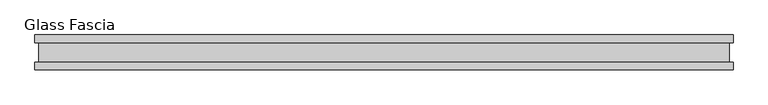
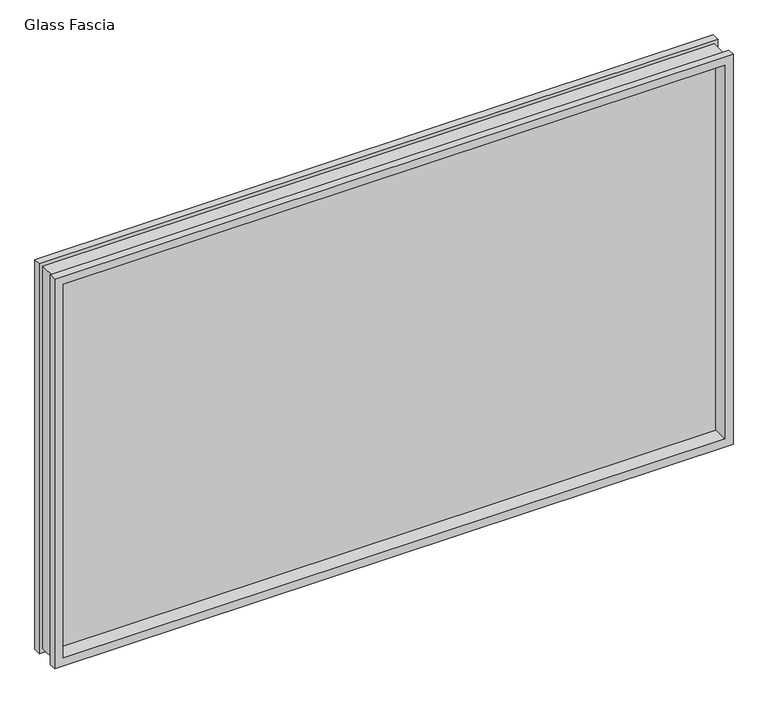
"""IFC4 building model written with IfcOpenShell, lengths in millimetres: proxy geometry, Glass Fascia."""

from ifc_helpers import new_model, si_unit, frame, origin, place, context, project, spatial, polyline, outline, extrude, faceted_brep, source, transform, mapped, element, save


def glass_fascia_9be81d33(model_context):
    return source(origin(), model_context, "Body", "SolidModel", [
        faceted_brep([(984.4096781, -5.0827449, 1201.5625243), (984.4096781, 5.0827449, 1201.5625243), (984.4096781, 5.0827449, 17.6374757), (984.4096781, -5.0827449, 17.6374757), (998.8721539, -28.8801202, 1216.025), (998.8721539, -50.0558594, 1216.025), (998.8721539, -50.0558594, 3.175), (998.8721539, -28.8801202, 3.175), (988.0471539, 28.2698798, 1205.2000001), (988.0471539, -28.8801202, 1205.2000001), (988.0471539, -28.8801202, 13.9999999), (988.0471539, 28.2698798, 13.9999999), (998.8721539, 50.0558594, 1216.025), (998.8721539, 28.2698798, 1216.025), (998.8721539, 28.2698798, 3.175), (998.8721539, 50.0558594, 3.175), (-984.4096781, 5.0827449, 17.6374757), (-984.4096781, -5.0827449, 17.6374757), (-998.8721539, -50.0558594, 3.175), (-998.8721539, -28.8801202, 3.175), (-988.0471539, -28.8801202, 13.9999999), (-988.0471539, 28.2698798, 13.9999999), (-998.8721539, 28.2698798, 3.175), (-998.8721539, 50.0558594, 3.175), (-984.4096781, 5.0827449, 1201.5625243), (-984.4096781, -5.0827449, 1201.5625243), (-998.8721539, -50.0558594, 1216.025), (-998.8721539, -28.8801202, 1216.025), (-988.0471539, -28.8801202, 1205.2000001), (-988.0471539, 28.2698798, 1205.2000001), (-998.8721539, 28.2698798, 1216.025), (-998.8721539, 50.0558594, 1216.025), (973.919487, 50.0558594, 1191.0723332), (-973.919487, 50.0558594, 1191.0723332), (-973.919487, 50.0558594, 28.1276668), (973.919487, 50.0558594, 28.1276668), (973.919487, 5.0827449, 28.1276668), (-973.919487, 5.0827449, 28.1276668), (-973.919487, 5.0827449, 1191.0723332), (973.919487, 5.0827449, 1191.0723332), (973.919487, -5.0827449, 1191.0723332), (-973.919487, -5.0827449, 1191.0723332), (-973.919487, -5.0827449, 28.1276668), (973.919487, -5.0827449, 28.1276668), (973.919487, -50.0558594, 28.1276668), (-973.919487, -50.0558594, 28.1276668), (-973.919487, -50.0558594, 1191.0723332), (973.919487, -50.0558594, 1191.0723332)], [[[0, 1, 2, 3]], [[4, 5, 6, 7]], [[8, 9, 10, 11]], [[12, 13, 14, 15]], [[3, 2, 16, 17]], [[7, 6, 18, 19]], [[11, 10, 20, 21]], [[15, 14, 22, 23]], [[17, 16, 24, 25]], [[19, 18, 26, 27]], [[21, 20, 28, 29]], [[23, 22, 30, 31]], [[15, 23, 31, 12], [32, 33, 34, 35]], [[1, 24, 16, 2], [36, 37, 38, 39]], [[25, 24, 1, 0]], [[3, 17, 25, 0], [40, 41, 42, 43]], [[5, 26, 18, 6], [44, 45, 46, 47]], [[27, 26, 5, 4]], [[7, 19, 27, 4], [9, 28, 20, 10]], [[29, 28, 9, 8]], [[13, 30, 22, 14], [11, 21, 29, 8]], [[31, 30, 13, 12]], [[39, 32, 35, 36]], [[47, 40, 43, 44]], [[36, 35, 34, 37]], [[44, 43, 42, 45]], [[37, 34, 33, 38]], [[45, 42, 41, 46]], [[38, 33, 32, 39]], [[46, 41, 40, 47]]]),
        extrude(outline(polyline([(984.4096781, 2.9765625), (984.4096781, -2.9765625), (-984.4096781, -2.9765625), (-984.4096781, 2.9765625), (984.4096781, 2.9765625)])), frame((0.0, 0.0, 17.6374757), z_axis=(0.0, 0.0, 1.0), x_axis=(1.0, 0.0, 0.0)), (0.0, 0.0, 1.0), 1183.9250485),
    ])


if __name__ == "__main__":
    model = new_model("IFC4")
    model_context = context("Model", 3, world=origin())
    ifc_project = project(units=[si_unit("LENGTHUNIT", "METRE", prefix="MILLI")], contexts=[model_context])
    site = spatial("IfcSite", under=ifc_project)
    building = spatial("IfcBuilding", under=site)
    placement = place(None, origin())
    glass_fascia_shape = glass_fascia_9be81d33(model_context)
    element("IfcBuildingElementProxy", 1, Name="Glass Fascia", ObjectType="Glass Fascia", at=placement, inside=building, context=model_context, shape_type="MappedRepresentation", body=[
        mapped(glass_fascia_shape, transform((0.0, 0.0, 0.0), x_axis=(1.0, 0.0, 0.0), y_axis=(0.0, 1.0, 0.0), z_axis=(0.0, 0.0, 1.0))),
    ])
    save(model, "model.ifc")
